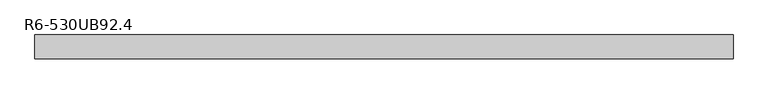
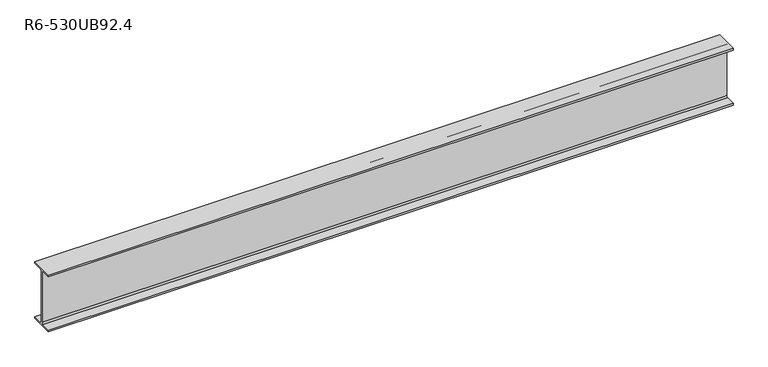
"""IFC4 building model written with IfcOpenShell, lengths in millimetres: beam geometry, R6-530UB92.4."""

import ifcopenshell
import ifcopenshell.guid

model = None  # the IFC model being written
_history = None  # IfcOwnerHistory: only IFC2X3 demands one
_inside = {}  # id of a spatial element -> (the spatial element, [elements in it])
_under = {}  # id of a project, library or spatial element -> (it, [spatial elements below it])
_declared = {}  # id of a project -> (the project, [libraries it declares])
_typed = {}  # id of a type object -> (the type object, [elements of that type])
_made_of = {}  # id of a material, layer set ... -> (it, [elements and type objects made of it])


def new_model(schema):
    """Start an empty IFC model of exactly this schema.

    Asked for "IFC4X3", IfcOpenShell would pick the latest addendum, in which some entities
    have other attributes; the version numbers below select the first issue.
    IFC2X3 requires an IfcOwnerHistory on every rooted entity: one is made here for all.
    """
    global model, _history
    if schema == "IFC4X3":
        model = ifcopenshell.file(schema_version=(4, 3, 0, 0))
    else:
        model = ifcopenshell.file(schema=schema)
    _inside.clear()
    _under.clear()
    _declared.clear()
    _typed.clear()
    _made_of.clear()
    _history = None
    if model.schema == "IFC2X3":
        org = make("IfcOrganization", Name="unknown")
        user = make(
            "IfcPersonAndOrganization",
            ThePerson=make("IfcPerson", FamilyName="unknown"),
            TheOrganization=org,
        )
        app = make(
            "IfcApplication",
            ApplicationDeveloper=org,
            Version="unknown",
            ApplicationFullName="unknown",
            ApplicationIdentifier="unknown",
        )
        _history = make(
            "IfcOwnerHistory",
            OwningUser=user,
            OwningApplication=app,
            ChangeAction="ADDED",
            CreationDate=0,
        )
    return model


def make(cls, **values):
    """One entity of the class cls with the attributes given. An attribute that is None is left unset."""
    return model.create_entity(
        cls, **{name: value for name, value in values.items() if value is not None}
    )


def rooted(cls, **values):
    """An entity with a GlobalId (a new one), such as an element, a storey or a relation."""
    return make(cls, GlobalId=ifcopenshell.guid.new(), OwnerHistory=_history, **values)


def si_unit(unit_type, name, prefix=None):
    """IfcSIUnit, for example si_unit("LENGTHUNIT", "METRE", prefix="MILLI")."""
    return make("IfcSIUnit", UnitType=unit_type, Prefix=prefix, Name=name)


def assignment(units):
    """IfcUnitAssignment: the units of a project."""
    return None if units is None else make("IfcUnitAssignment", Units=units)


def point(xyz):
    """IfcCartesianPoint."""
    return None if xyz is None else make("IfcCartesianPoint", Coordinates=xyz)


def direction(xyz):
    """IfcDirection."""
    return None if xyz is None else make("IfcDirection", DirectionRatios=xyz)


def frame(location, z_axis=None, x_axis=None):
    """IfcAxis2Placement3D, a coordinate frame: its origin and axes. An axis left out is left unset."""
    return make(
        "IfcAxis2Placement3D",
        Location=point(location),
        Axis=direction(z_axis),
        RefDirection=direction(x_axis),
    )


def frame_2d(location, x_axis=None):
    """IfcAxis2Placement2D, a coordinate frame in the plane: its origin and x axis."""
    return make(
        "IfcAxis2Placement2D", Location=point(location), RefDirection=direction(x_axis)
    )


def origin():
    """The frame at (0, 0, 0) with its axes left unset."""
    return frame((0.0, 0.0, 0.0))


def place(relative_to, where):
    """IfcLocalPlacement: puts the frame where relative to a parent placement (None: the world)."""
    return make(
        "IfcLocalPlacement", PlacementRelTo=relative_to, RelativePlacement=where
    )


def context(
    kind, dimensions, precision=None, world=None, true_north=None, identifier=None
):
    """IfcGeometricRepresentationContext, for example the 3D "Model" context."""
    return make(
        "IfcGeometricRepresentationContext",
        ContextIdentifier=identifier,
        ContextType=kind,
        CoordinateSpaceDimension=dimensions,
        Precision=precision,
        WorldCoordinateSystem=world,
        TrueNorth=true_north,
    )


def project(units=None, contexts=None):
    """IfcProject with its units and contexts."""
    return rooted(
        "IfcProject",
        Name="project",
        RepresentationContexts=contexts,
        UnitsInContext=assignment(units),
    )


def spatial(cls, under=None, at=None, **own):
    """A site, building, storey or space (cls), placed at a placement, below another one or the project."""
    s = rooted(cls, ObjectPlacement=at, **own)
    if under is not None:
        _under.setdefault(under.id(), (under, []))[1].append(s)
    return s


def polyline(points):
    """IfcPolyline through the points."""
    return make("IfcPolyline", Points=[point(p) for p in points])


def circle_curve(where, radius):
    """IfcCircle in the frame where."""
    return make("IfcCircle", Position=where, Radius=radius)


def trimmed(basis, trim1, trim2, sense, master):
    """IfcTrimmedCurve: the piece of a basis curve between two trims."""
    return make(
        "IfcTrimmedCurve",
        BasisCurve=basis,
        Trim1=trim1,
        Trim2=trim2,
        SenseAgreement=sense,
        MasterRepresentation=master,
    )


def segment(curve, same_sense, transition):
    """IfcCompositeCurveSegment."""
    return make(
        "IfcCompositeCurveSegment",
        Transition=transition,
        SameSense=same_sense,
        ParentCurve=curve,
    )


def composite_curve(segments, self_intersect=None):
    """IfcCompositeCurve: segments joined end to end."""
    return make("IfcCompositeCurve", Segments=segments, SelfIntersect=self_intersect)


def outline(outer, holes=None, kind="AREA"):
    """IfcArbitraryClosedProfileDef: a profile drawn as a closed curve; with holes, ...WithVoids."""
    if holes is None:
        return make("IfcArbitraryClosedProfileDef", ProfileType=kind, OuterCurve=outer)
    return make(
        "IfcArbitraryProfileDefWithVoids",
        ProfileType=kind,
        OuterCurve=outer,
        InnerCurves=holes,
    )


def extrude(swept, where, along, depth):
    """IfcExtrudedAreaSolid: the profile swept, set in the frame where, extruded along a direction by depth."""
    return make(
        "IfcExtrudedAreaSolid",
        SweptArea=swept,
        Position=where,
        ExtrudedDirection=direction(along),
        Depth=depth,
    )


def shape(context_of_items, identifier, shape_type, items):
    """IfcShapeRepresentation: the items that make up one representation, for example the "Body"."""
    return make(
        "IfcShapeRepresentation",
        ContextOfItems=context_of_items,
        RepresentationIdentifier=identifier,
        RepresentationType=shape_type,
        Items=items,
    )


def source(mapping_origin, context_of_items, identifier, shape_type, items):
    """IfcRepresentationMap: a shape defined once, which mapped items show again and again."""
    return make(
        "IfcRepresentationMap",
        MappingOrigin=mapping_origin,
        MappedRepresentation=shape(context_of_items, identifier, shape_type, items),
    )


def transform(
    local_origin,
    x_axis=None,
    y_axis=None,
    z_axis=None,
    scale=None,
    scale2=None,
    scale3=None,
    uniform=True,
):
    """IfcCartesianTransformationOperator3D, or its non-uniform kind. x_axis, y_axis, z_axis: its Axis1, 2, 3."""
    if uniform:
        return make(
            "IfcCartesianTransformationOperator3D",
            Axis1=direction(x_axis),
            Axis2=direction(y_axis),
            LocalOrigin=point(local_origin),
            Scale=scale,
            Axis3=direction(z_axis),
        )
    return make(
        "IfcCartesianTransformationOperator3DnonUniform",
        Axis1=direction(x_axis),
        Axis2=direction(y_axis),
        LocalOrigin=point(local_origin),
        Scale=scale,
        Axis3=direction(z_axis),
        Scale2=scale2,
        Scale3=scale3,
    )


def mapped(mapping_source, mapping_target):
    """IfcMappedItem: shows the shape of a source again, moved by a transform."""
    return make(
        "IfcMappedItem", MappingSource=mapping_source, MappingTarget=mapping_target
    )


def made_of(thing, what):
    """Note that an element or type object is made of a material, layer set ...; save() writes the relation."""
    if what is not None:
        _made_of.setdefault(what.id(), (what, []))[1].append(thing)
    return thing


def element(
    cls,
    number,
    at=None,
    inside=None,
    cuts=None,
    type_object=None,
    material=None,
    context=None,
    identifier="Body",
    shape_type=None,
    held_by="IfcProductDefinitionShape",
    body=None,
    shapes=None,
    **own,
):
    """One element of the class cls, such as IfcWall. Its Tag is "e" and its number.

    at: its placement. inside: the storey or other place that contains it. cuts: it is an
    opening in that element (IfcRelVoidsElement). A single representation is given by context,
    identifier, shape_type and body (its items); several are given by shapes. held_by: the class
    of the entity that holds the representations. save() writes the other relations.
    """
    e = rooted(cls, Tag="e%d" % number, ObjectPlacement=at, **own)
    if body is not None:
        shapes = [shape(context, identifier, shape_type, body)]
    if shapes is not None:
        e.Representation = make(held_by, Representations=shapes)
    if inside is not None:
        _inside.setdefault(inside.id(), (inside, []))[1].append(e)
    if cuts is not None:
        rooted(
            "IfcRelVoidsElement", RelatingBuildingElement=cuts, RelatedOpeningElement=e
        )
    if type_object is not None:
        _typed.setdefault(type_object.id(), (type_object, []))[1].append(e)
    return made_of(e, material)


def aggregate(whole, parts):
    """IfcRelAggregates: a whole, such as a stair, and the parts it consists of."""
    return rooted("IfcRelAggregates", RelatingObject=whole, RelatedObjects=parts)


def save(model, path):
    """Write the relations noted so far, then the file.

    IfcRelAggregates (storeys below a building ...), IfcRelContainedInSpatialStructure (elements
    in a storey), IfcRelDefinesByType, IfcRelAssociatesMaterial and IfcRelDeclares: one each for
    every whole, place, type object, material and project.
    """
    for whole, parts in _under.values():
        aggregate(whole, parts)
    for where, things in _inside.values():
        rooted(
            "IfcRelContainedInSpatialStructure",
            RelatedElements=things,
            RelatingStructure=where,
        )
    for kind, things in _typed.values():
        rooted("IfcRelDefinesByType", RelatedObjects=things, RelatingType=kind)
    for what, things in _made_of.values():
        rooted("IfcRelAssociatesMaterial", RelatedObjects=things, RelatingMaterial=what)
    for by, libraries in _declared.values():
        rooted("IfcRelDeclares", RelatingContext=by, RelatedDefinitions=libraries)
    model.write(path)


def r6_530ub92_4_b003d0a7(model_context):
    return source(origin(), model_context, "Body", "SweptSolid", [
        extrude(outline(composite_curve([segment(polyline([(-104.5, -250.9), (-19.1, -250.9)]), True, "CONTINUOUS"), segment(trimmed(circle_curve(frame_2d((-19.1, -236.9)), 14.0), [point((-19.1, -250.9))], [point((-5.1, -236.9))], True, "CARTESIAN"), True, "CONTINUOUS"), segment(polyline([(-5.1, -236.9), (-5.1, 236.9)]), True, "CONTINUOUS"), segment(trimmed(circle_curve(frame_2d((-19.1, 236.9)), 14.0), [point((-5.1, 236.9))], [point((-19.1, 250.9))], True, "CARTESIAN"), True, "CONTINUOUS"), segment(polyline([(-19.1, 250.9), (-104.5, 250.9), (-104.5, 266.5), (104.5, 266.5), (104.5, 250.9), (19.1, 250.9)]), True, "CONTINUOUS"), segment(trimmed(circle_curve(frame_2d((19.1, 236.9)), 14.0), [point((19.1, 250.9))], [point((5.1, 236.9))], True, "CARTESIAN"), True, "CONTINUOUS"), segment(polyline([(5.1, 236.9), (5.1, -236.9)]), True, "CONTINUOUS"), segment(trimmed(circle_curve(frame_2d((19.1, -236.9)), 14.0), [point((5.1, -236.9))], [point((19.1, -250.9))], True, "CARTESIAN"), True, "CONTINUOUS"), segment(polyline([(19.1, -250.9), (104.5, -250.9), (104.5, -266.5), (-104.5, -266.5), (-104.5, -250.9)]), True, "CONTINUOUS")], self_intersect=False)), frame((-3077.0, 0.0, 0.0), z_axis=(1.0, 0.0, 0.0), x_axis=(0.0, 1.0, 0.0)), (0.0, 0.0, 1.0), 6087.0),
    ])


if __name__ == "__main__":
    model = new_model("IFC4")
    model_context = context("Model", 3, world=origin())
    ifc_project = project(units=[si_unit("LENGTHUNIT", "METRE", prefix="MILLI")], contexts=[model_context])
    site = spatial("IfcSite", under=ifc_project)
    building = spatial("IfcBuilding", under=site)
    placement = place(None, origin())
    r6_530ub92_4_shape = r6_530ub92_4_b003d0a7(model_context)
    element("IfcBeam", 1, ObjectType="R6-530UB92.4", at=placement, inside=building, context=model_context, shape_type="MappedRepresentation", body=[
        mapped(r6_530ub92_4_shape, transform((0.0, 0.0, 0.0), x_axis=(1.0, 0.0, 0.0), y_axis=(0.0, 1.0, 0.0), z_axis=(0.0, 0.0, 1.0))),
    ])
    save(model, "model.ifc")
